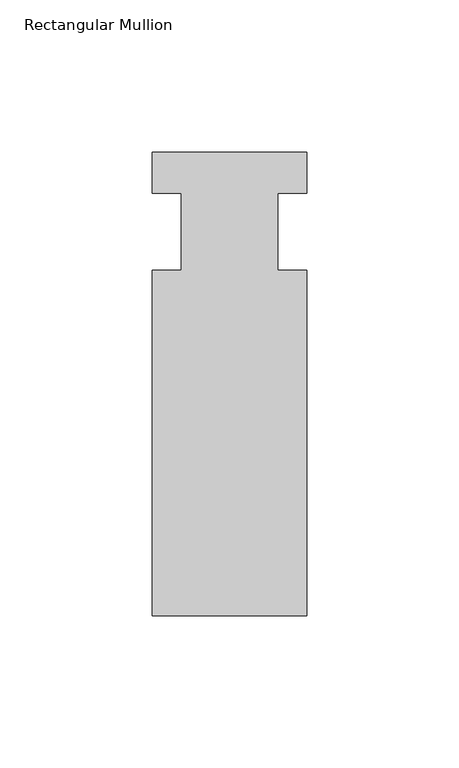
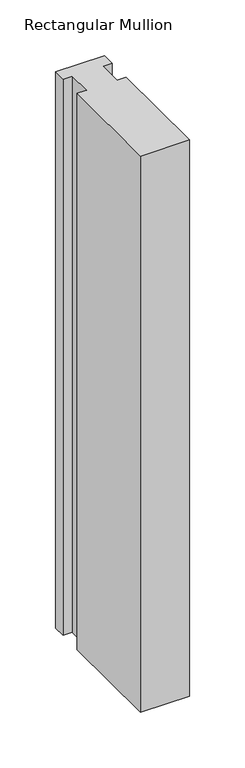
"""IFC4 building model written with IfcOpenShell, lengths in millimetres: member geometry, Rectangular Mullion."""

from ifc_helpers import new_model, si_unit, frame, origin, place, context, project, spatial, polyline, outline, extrude, source, transform, mapped, element, save


def rectangular_mullion_cb6dc855(model_context):
    return source(origin(), model_context, "Body", "SweptSolid", [
        extrude(outline(polyline([(-25.4, 26.19375), (25.4, 26.19375), (25.4, 12.7), (15.875, 12.7), (15.875, -12.7), (25.4, -12.7), (25.4, -126.20625), (-25.4, -126.20625), (-25.4, -12.7), (-15.875, -12.7), (-15.875, 12.7), (-25.4, 12.7), (-25.4, 26.19375)])), frame((0.0, 0.0, -609.6), z_axis=(0.0, 0.0, 1.0), x_axis=(1.0, 0.0, 0.0)), (0.0, 0.0, 1.0), 609.6),
    ])


if __name__ == "__main__":
    model = new_model("IFC4")
    model_context = context("Model", 3, world=origin())
    ifc_project = project(units=[si_unit("LENGTHUNIT", "METRE", prefix="MILLI")], contexts=[model_context])
    site = spatial("IfcSite", under=ifc_project)
    building = spatial("IfcBuilding", under=site)
    placement = place(None, origin())
    rectangular_mullion_shape = rectangular_mullion_cb6dc855(model_context)
    element("IfcMember", 1, ObjectType="Rectangular Mullion", at=placement, inside=building, context=model_context, shape_type="MappedRepresentation", body=[
        mapped(rectangular_mullion_shape, transform((0.0, 0.0, 0.0), x_axis=(1.0, 0.0, 0.0), y_axis=(0.0, 1.0, 0.0), z_axis=(0.0, 0.0, 1.0))),
    ])
    save(model, "model.ifc")
